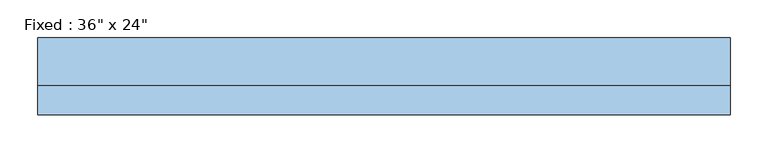
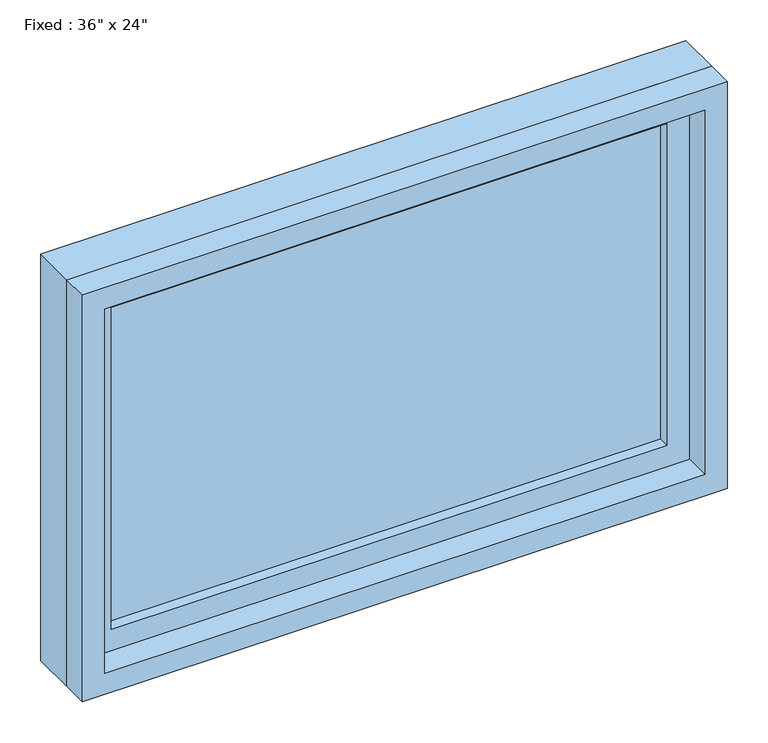
"""IFC4 building model written with IfcOpenShell, lengths in millimetres: window geometry."""

from ifc_helpers import new_model, si_unit, frame, origin, place, context, project, spatial, polyline, outline, extrude, source, transform, mapped, element, save


def window_a28f36c8(model_context):
    return source(origin(), model_context, "Body", "SweptSolid", [
        extrude(outline(polyline([(355.6, 3.175), (-431.8, 3.175), (-431.8, 15.875), (355.6, 15.875), (355.6, 3.175)])), frame((0.0, 0.0, 977.9), z_axis=(0.0, 0.0, 1.0), x_axis=(1.0, 0.0, 0.0)), (0.0, 0.0, 1.0), 482.6),
        extrude(outline(polyline([(1504.95, -476.25), (933.45, -476.25), (933.45, 400.05), (1504.95, 400.05), (1504.95, -476.25)]), holes=[polyline([(1460.5, -431.8), (1460.5, 355.6), (977.9, 355.6), (977.9, -431.8), (1460.5, -431.8)])]), frame((0.0, -12.7, 0.0), z_axis=(0.0, 1.0, 0.0), x_axis=(0.0, 0.0, 1.0)), (0.0, 0.0, 1.0), 44.45),
        extrude(outline(polyline([(1524.0, -495.3), (914.4, -495.3), (914.4, 419.1), (1524.0, 419.1), (1524.0, -495.3)]), holes=[polyline([(1492.25, -463.55), (1492.25, 387.35), (946.15, 387.35), (946.15, -463.55), (1492.25, -463.55)])]), frame((0.0, -50.8, 0.0), z_axis=(0.0, 1.0, 0.0), x_axis=(0.0, 0.0, 1.0)), (0.0, 0.0, 1.0), 38.1),
        extrude(outline(polyline([(1524.0, 419.1), (1524.0, -495.3), (914.4, -495.3), (914.4, 419.1), (1524.0, 419.1)]), holes=[polyline([(1504.95, 400.05), (933.45, 400.05), (933.45, -476.25), (1504.95, -476.25), (1504.95, 400.05)])]), frame((0.0, -12.7, 0.0), z_axis=(0.0, 1.0, 0.0), x_axis=(0.0, 0.0, 1.0)), (0.0, 0.0, 1.0), 63.5),
    ])


if __name__ == "__main__":
    model = new_model("IFC4")
    model_context = context("Model", 3, world=origin())
    ifc_project = project(units=[si_unit("LENGTHUNIT", "METRE", prefix="MILLI")], contexts=[model_context])
    site = spatial("IfcSite", under=ifc_project)
    building = spatial("IfcBuilding", under=site)
    placement = place(None, origin())
    window_shape = window_a28f36c8(model_context)
    element("IfcWindow", 1, ObjectType="Fixed : 36\" x 24\"", at=placement, inside=building, context=model_context, shape_type="MappedRepresentation", body=[
        mapped(window_shape, transform((0.0, 0.0, 0.0), x_axis=(1.0, 0.0, 0.0), y_axis=(0.0, 1.0, 0.0), z_axis=(0.0, 0.0, 1.0))),
    ])
    save(model, "model.ifc")
